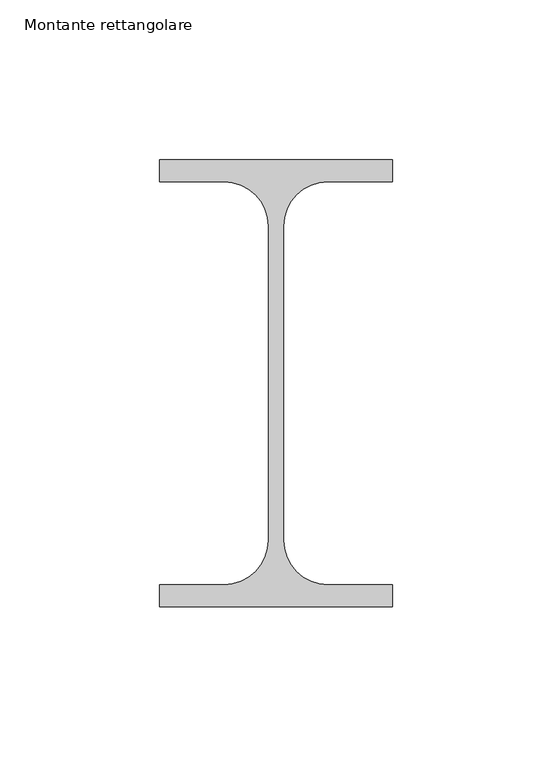
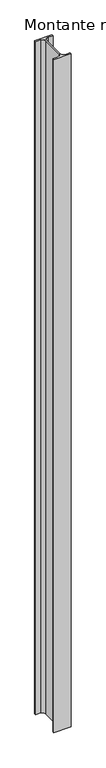
"""IFC4 building model written with IfcOpenShell, lengths in millimetres: member geometry, Montante rettangolare."""

from ifc_helpers import new_model, si_unit, point, frame, frame_2d, origin, place, context, project, spatial, polyline, circle_curve, trimmed, segment, composite_curve, outline, extrude, source, transform, mapped, element, save


def montante_rettangolare_1ece292a(model_context):
    return source(origin(), model_context, "Body", "SweptSolid", [
        extrude(outline(composite_curve([segment(polyline([(-36.5, 13.1), (-36.5, 20.0), (36.5, 20.0), (36.5, 13.1), (16.25, 13.1)]), True, "CONTINUOUS"), segment(trimmed(circle_curve(frame_2d((16.25, -0.8)), 13.9), [point((16.25, 13.1))], [point((2.35, -0.8))], True, "CARTESIAN"), True, "CONTINUOUS"), segment(polyline([(2.35, -0.8), (2.35, -99.2)]), True, "CONTINUOUS"), segment(trimmed(circle_curve(frame_2d((16.25, -99.2)), 13.9), [point((2.35, -99.2))], [point((16.25, -113.1))], True, "CARTESIAN"), True, "CONTINUOUS"), segment(polyline([(16.25, -113.1), (36.5, -113.1), (36.5, -120.0), (-36.5, -120.0), (-36.5, -113.1), (-16.25, -113.1)]), True, "CONTINUOUS"), segment(trimmed(circle_curve(frame_2d((-16.25, -99.2)), 13.9), [point((-16.25, -113.1))], [point((-2.35, -99.2))], True, "CARTESIAN"), True, "CONTINUOUS"), segment(polyline([(-2.35, -99.2), (-2.35, -0.8)]), True, "CONTINUOUS"), segment(trimmed(circle_curve(frame_2d((-16.25, -0.8)), 13.9), [point((-2.35, -0.8))], [point((-16.25, 13.1))], True, "CARTESIAN"), True, "CONTINUOUS"), segment(polyline([(-16.25, 13.1), (-36.5, 13.1)]), True, "CONTINUOUS")], self_intersect=False)), frame((0.0, 0.0, -3015.9251039), z_axis=(0.0, 0.0, 1.0), x_axis=(1.0, 0.0, 0.0)), (0.0, 0.0, 1.0), 3015.9251039),
    ])


if __name__ == "__main__":
    model = new_model("IFC4")
    model_context = context("Model", 3, world=origin())
    ifc_project = project(units=[si_unit("LENGTHUNIT", "METRE", prefix="MILLI")], contexts=[model_context])
    site = spatial("IfcSite", under=ifc_project)
    building = spatial("IfcBuilding", under=site)
    placement = place(None, origin())
    montante_rettangolare_shape = montante_rettangolare_1ece292a(model_context)
    element("IfcMember", 1, ObjectType="Montante rettangolare", at=placement, inside=building, context=model_context, shape_type="MappedRepresentation", body=[
        mapped(montante_rettangolare_shape, transform((0.0, 0.0, 0.0), x_axis=(1.0, 0.0, 0.0), y_axis=(0.0, 1.0, 0.0), z_axis=(0.0, 0.0, 1.0))),
    ])
    save(model, "model.ifc")
